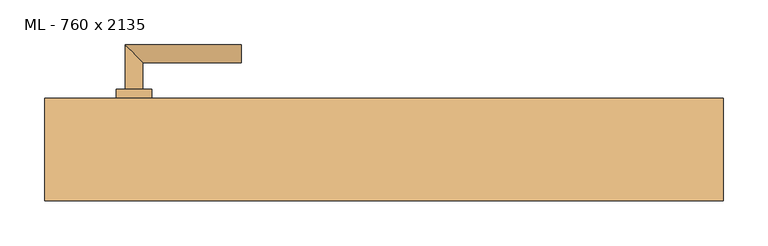
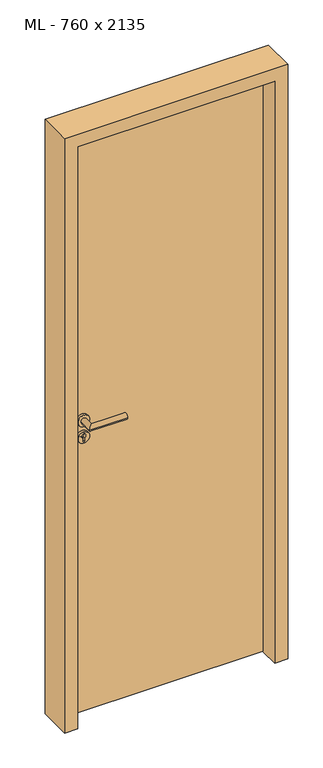
"""IFC4 building model written with IfcOpenShell, lengths in millimetres: door geometry, ML - 760 x 2135."""

from ifc_helpers import new_model, si_unit, point, frame, frame_2d, origin, origin_with_axes, place, context, project, spatial, polyline, circle_curve, ellipse_curve, trimmed, segment, composite_curve, outline, extrude, faceted_brep, source, transform, mapped, element, save
from ifc_brep_helpers import plane_surface, cylinder_surface, advanced_brep


def ml_760_x_2135_5a31ea03(model_context):
    return source(origin(), model_context, "Body", "SolidModel", [
        extrude(outline(polyline([(346.0, 57.5), (346.0, 12.5), (-346.0, 12.5), (-346.0, 57.5), (346.0, 57.5)])), origin_with_axes(), (0.0, 0.0, 1.0), 2101.0),
        advanced_brep(
        [(-270.0, 67.5, 1050.0), (-290.0, 67.5, 1050.0), (-270.0, 97.5, 1050.0), (-290.0, 117.5, 1050.0), (-160.0, 97.5, 1050.0), (-160.0, 117.5, 1050.0)],
        [
            (0, 1, circle_curve(frame((-280.0, 67.5, 1050.0), z_axis=(0.0, -1.0, 0.0), x_axis=(-1.0, 0.0, 0.0)), 10.0)),
            (1, 0, circle_curve(frame((-280.0, 67.5, 1050.0), z_axis=(0.0, -1.0, 0.0), x_axis=(-1.0, 0.0, 0.0)), 10.0)),
            (0, 2),
            (2, 3, ellipse_curve(frame((-280.0, 107.5, 1050.0), z_axis=(-0.7071067811865531, -0.7071067811865419, 0.0), x_axis=(0.707106781186542, -0.707106781186553, 0.0)), 14.1421356, 10.0)),
            (3, 1),
            (3, 2, ellipse_curve(frame((-280.0, 107.5, 1050.0), z_axis=(-0.7071067811865531, -0.7071067811865419, 0.0), x_axis=(0.707106781186542, -0.707106781186553, 0.0)), 14.1421356, 10.0)),
            (4, 5, circle_curve(frame((-160.0, 107.5, 1050.0), z_axis=(1.0, 0.0, 0.0), x_axis=(0.0, 1.0, 0.0)), 10.0)),
            (5, 4, circle_curve(frame((-160.0, 107.5, 1050.0), z_axis=(1.0, 0.0, 0.0), x_axis=(0.0, 1.0, 0.0)), 10.0)),
            (2, 4),
            (5, 3),
        ],
        [
            plane_surface(frame((-280.0, 67.5, 1050.0), z_axis=(0.0, -1.0, 0.0), x_axis=(0.0, 0.0, 1.0))),
            cylinder_surface(frame((-280.0, 67.5, 1050.0), z_axis=(0.0, -1.0, 0.0), x_axis=(-1.0, 0.0, 0.0)), 10.0),
            plane_surface(frame((-160.0, 107.5, 1050.0), z_axis=(1.0, 0.0, 0.0), x_axis=(0.0, 0.0, 1.0))),
            cylinder_surface(frame((-280.0, 107.5, 1050.0), z_axis=(-1.0, 0.0, 0.0), x_axis=(0.0, 1.0, 0.0)), 10.0),
        ],
        [
            (0, [[1, 2]]),
            (1, [[-1, 3, 4, 5]]),
            (1, [[-2, -5, 6, -3]]),
            (2, [[7, 8]]),
            (3, [[-4, 9, -8, 10]]),
            (3, [[-6, -10, -7, -9]]),
        ],
    ),
        extrude(outline(composite_curve([segment(trimmed(circle_curve(frame_2d((990.0, -280.0)), 20.0), [point((990.0, -300.0))], [point((990.0, -260.0))], False, "CARTESIAN"), True, "CONTINUOUS"), segment(trimmed(circle_curve(frame_2d((990.0, -280.0)), 20.0), [point((990.0, -260.0))], [point((990.0, -300.0))], False, "CARTESIAN"), True, "CONTINUOUS")], self_intersect=False), holes=[composite_curve([segment(polyline([(976.4601385, -282.397268), (988.4749012, -282.397268)]), True, "CONTINUOUS"), segment(trimmed(circle_curve(frame_2d((995.0361633, -280.0)), 6.9854888), [point((988.4749012, -282.397268))], [point((988.4749012, -277.602732))], True, "CARTESIAN"), True, "CONTINUOUS"), segment(polyline([(988.4749012, -277.602732), (976.4601385, -277.602732)]), True, "CONTINUOUS"), segment(trimmed(circle_curve(frame_2d((976.4601385, -280.0)), 2.397268), [point((976.4601385, -277.602732))], [point((976.4601385, -282.397268))], True, "CARTESIAN"), True, "CONTINUOUS")], self_intersect=False)]), frame((0.0, 57.5, 0.0), z_axis=(0.0, 1.0, 0.0), x_axis=(0.0, 0.0, 1.0)), (0.0, 0.0, 1.0), 10.0),
        advanced_brep(
        [(-270.0, 67.5, 1050.0), (-290.0, 67.5, 1050.0), (-270.0, 97.5, 1050.0), (-290.0, 117.5, 1050.0), (-160.0, 97.5, 1050.0), (-160.0, 117.5, 1050.0)],
        [
            (0, 1, circle_curve(frame((-280.0, 67.5, 1050.0), z_axis=(0.0, -1.0, 0.0), x_axis=(-1.0, 0.0, 0.0)), 10.0)),
            (1, 0, circle_curve(frame((-280.0, 67.5, 1050.0), z_axis=(0.0, -1.0, 0.0), x_axis=(-1.0, 0.0, 0.0)), 10.0)),
            (0, 2),
            (2, 3, ellipse_curve(frame((-280.0, 107.5, 1050.0), z_axis=(-0.7071067811865537, -0.7071067811865414, 0.0), x_axis=(0.7071067811865414, -0.7071067811865536, 0.0)), 14.1421356, 10.0)),
            (3, 1),
            (3, 2, ellipse_curve(frame((-280.0, 107.5, 1050.0), z_axis=(-0.7071067811865537, -0.7071067811865414, 0.0), x_axis=(0.7071067811865414, -0.7071067811865536, 0.0)), 14.1421356, 10.0)),
            (4, 5, circle_curve(frame((-160.0, 107.5, 1050.0), z_axis=(1.0, 0.0, 0.0), x_axis=(0.0, 1.0, 0.0)), 10.0)),
            (5, 4, circle_curve(frame((-160.0, 107.5, 1050.0), z_axis=(1.0, 0.0, 0.0), x_axis=(0.0, 1.0, 0.0)), 10.0)),
            (2, 4),
            (5, 3),
        ],
        [
            plane_surface(frame((-280.0, 67.5, 1050.0), z_axis=(0.0, -1.0, 0.0), x_axis=(0.0, 0.0, 1.0))),
            cylinder_surface(frame((-280.0, 67.5, 1050.0), z_axis=(0.0, -1.0, 0.0), x_axis=(-1.0, 0.0, 0.0)), 10.0),
            plane_surface(frame((-160.0, 107.5, 1050.0), z_axis=(1.0, 0.0, 0.0), x_axis=(0.0, 0.0, 1.0))),
            cylinder_surface(frame((-280.0, 107.5, 1050.0), z_axis=(-1.0, 0.0, 0.0), x_axis=(0.0, 1.0, 0.0)), 10.0),
        ],
        [
            (0, [[1, 2]]),
            (1, [[-1, 3, 4, 5]]),
            (1, [[-2, -5, 6, -3]]),
            (2, [[7, 8]]),
            (3, [[-4, 9, -8, 10]]),
            (3, [[-6, -10, -7, -9]]),
        ],
    ),
        extrude(outline(composite_curve([segment(trimmed(circle_curve(frame_2d((1050.0, -280.0)), 20.0), [point((1050.0, -300.0))], [point((1050.0, -260.0))], False, "CARTESIAN"), True, "CONTINUOUS"), segment(trimmed(circle_curve(frame_2d((1050.0, -280.0)), 20.0), [point((1050.0, -260.0))], [point((1050.0, -300.0))], False, "CARTESIAN"), True, "CONTINUOUS")], self_intersect=False)), frame((0.0, 57.5, 0.0), z_axis=(0.0, 1.0, 0.0), x_axis=(0.0, 0.0, 1.0)), (0.0, 0.0, 1.0), 10.0),
        advanced_brep(
        [(-270.0, 2.5, 1050.0), (-290.0, 2.5, 1050.0), (-290.0, -47.5, 1050.0), (-270.0, -27.5, 1050.0), (-160.0, -27.5, 1050.0), (-160.0, -47.5, 1050.0)],
        [
            (0, 1, circle_curve(frame((-280.0, 2.5, 1050.0), z_axis=(0.0, 1.0, 0.0), x_axis=(-1.0, 0.0, 0.0)), 10.0)),
            (1, 0, circle_curve(frame((-280.0, 2.5, 1050.0), z_axis=(0.0, 1.0, 0.0), x_axis=(-1.0, 0.0, 0.0)), 10.0)),
            (1, 2),
            (2, 3, ellipse_curve(frame((-280.0, -37.5, 1050.0), z_axis=(-0.7071067811865486, 0.7071067811865464, 0.0), x_axis=(0.7071067811865464, 0.7071067811865488, 0.0)), 14.1421356, 10.0)),
            (3, 0),
            (3, 2, ellipse_curve(frame((-280.0, -37.5, 1050.0), z_axis=(-0.7071067811865486, 0.7071067811865464, 0.0), x_axis=(0.7071067811865464, 0.7071067811865488, 0.0)), 14.1421356, 10.0)),
            (4, 5, circle_curve(frame((-160.0, -37.5, 1050.0), z_axis=(1.0, 0.0, 0.0), x_axis=(0.0, -1.0, 0.0)), 10.0)),
            (5, 4, circle_curve(frame((-160.0, -37.5, 1050.0), z_axis=(1.0, 0.0, 0.0), x_axis=(0.0, -1.0, 0.0)), 10.0)),
            (2, 5),
            (4, 3),
        ],
        [
            plane_surface(frame((-280.0, 2.5, 1050.0), z_axis=(0.0, 1.0, 0.0), x_axis=(0.0, 0.0, 1.0))),
            cylinder_surface(frame((-280.0, 2.5, 1050.0), z_axis=(0.0, 1.0, 0.0), x_axis=(-1.0, 0.0, 0.0)), 10.0),
            plane_surface(frame((-160.0, -37.5, 1050.0), z_axis=(1.0, 0.0, 0.0), x_axis=(0.0, 0.0, 1.0))),
            cylinder_surface(frame((-280.0, -37.5, 1050.0), z_axis=(-1.0, 0.0, 0.0), x_axis=(0.0, -1.0, 0.0)), 10.0),
        ],
        [
            (0, [[1, 2]]),
            (1, [[3, 4, 5, -2]]),
            (1, [[-5, 6, -3, -1]]),
            (2, [[7, 8]]),
            (3, [[9, -7, 10, -4]]),
            (3, [[-10, -8, -9, -6]]),
        ],
    ),
        extrude(outline(composite_curve([segment(trimmed(circle_curve(frame_2d((990.0, -280.0)), 20.0), [point((990.0, -300.0))], [point((990.0, -260.0))], False, "CARTESIAN"), True, "CONTINUOUS"), segment(trimmed(circle_curve(frame_2d((990.0, -280.0)), 20.0), [point((990.0, -260.0))], [point((990.0, -300.0))], False, "CARTESIAN"), True, "CONTINUOUS")], self_intersect=False), holes=[composite_curve([segment(polyline([(976.4601385, -282.397268), (988.4749012, -282.397268)]), True, "CONTINUOUS"), segment(trimmed(circle_curve(frame_2d((995.0361633, -280.0)), 6.9854888), [point((988.4749012, -282.397268))], [point((988.4749012, -277.602732))], True, "CARTESIAN"), True, "CONTINUOUS"), segment(polyline([(988.4749012, -277.602732), (976.4601385, -277.602732)]), True, "CONTINUOUS"), segment(trimmed(circle_curve(frame_2d((976.4601385, -280.0)), 2.397268), [point((976.4601385, -277.602732))], [point((976.4601385, -282.397268))], True, "CARTESIAN"), True, "CONTINUOUS")], self_intersect=False)]), frame((0.0, 2.5, 0.0), z_axis=(0.0, 1.0, 0.0), x_axis=(0.0, 0.0, 1.0)), (0.0, 0.0, 1.0), 10.0),
        advanced_brep(
        [(-270.0, 2.5, 1050.0), (-290.0, 2.5, 1050.0), (-290.0, -47.5, 1050.0), (-270.0, -27.5, 1050.0), (-160.0, -27.5, 1050.0), (-160.0, -47.5, 1050.0)],
        [
            (0, 1, circle_curve(frame((-280.0, 2.5, 1050.0), z_axis=(0.0, 1.0, 0.0), x_axis=(-1.0, 0.0, 0.0)), 10.0)),
            (1, 0, circle_curve(frame((-280.0, 2.5, 1050.0), z_axis=(0.0, 1.0, 0.0), x_axis=(-1.0, 0.0, 0.0)), 10.0)),
            (1, 2),
            (2, 3, ellipse_curve(frame((-280.0, -37.5, 1050.0), z_axis=(-0.7071067811865491, 0.7071067811865459, 0.0), x_axis=(0.7071067811865458, 0.7071067811865492, 0.0)), 14.1421356, 10.0)),
            (3, 0),
            (3, 2, ellipse_curve(frame((-280.0, -37.5, 1050.0), z_axis=(-0.7071067811865491, 0.7071067811865459, 0.0), x_axis=(0.7071067811865458, 0.7071067811865492, 0.0)), 14.1421356, 10.0)),
            (4, 5, circle_curve(frame((-160.0, -37.5, 1050.0), z_axis=(1.0, 0.0, 0.0), x_axis=(0.0, -1.0, 0.0)), 10.0)),
            (5, 4, circle_curve(frame((-160.0, -37.5, 1050.0), z_axis=(1.0, 0.0, 0.0), x_axis=(0.0, -1.0, 0.0)), 10.0)),
            (2, 5),
            (4, 3),
        ],
        [
            plane_surface(frame((-280.0, 2.5, 1050.0), z_axis=(0.0, 1.0, 0.0), x_axis=(0.0, 0.0, 1.0))),
            cylinder_surface(frame((-280.0, 2.5, 1050.0), z_axis=(0.0, 1.0, 0.0), x_axis=(-1.0, 0.0, 0.0)), 10.0),
            plane_surface(frame((-160.0, -37.5, 1050.0), z_axis=(1.0, 0.0, 0.0), x_axis=(0.0, 0.0, 1.0))),
            cylinder_surface(frame((-280.0, -37.5, 1050.0), z_axis=(-1.0, 0.0, 0.0), x_axis=(0.0, -1.0, 0.0)), 10.0),
        ],
        [
            (0, [[1, 2]]),
            (1, [[3, 4, 5, -2]]),
            (1, [[-5, 6, -3, -1]]),
            (2, [[7, 8]]),
            (3, [[9, -7, 10, -4]]),
            (3, [[-10, -8, -9, -6]]),
        ],
    ),
        extrude(outline(composite_curve([segment(trimmed(circle_curve(frame_2d((1050.0, -280.0)), 20.0), [point((1050.0, -300.0))], [point((1050.0, -260.0))], False, "CARTESIAN"), True, "CONTINUOUS"), segment(trimmed(circle_curve(frame_2d((1050.0, -280.0)), 20.0), [point((1050.0, -260.0))], [point((1050.0, -300.0))], False, "CARTESIAN"), True, "CONTINUOUS")], self_intersect=False)), frame((0.0, 2.5, 0.0), z_axis=(0.0, 1.0, 0.0), x_axis=(0.0, 0.0, 1.0)), (0.0, 0.0, 1.0), 10.0),
        faceted_brep([(-350.0, 57.5, 0.0), (-350.0, 12.5, 0.0), (-335.0, 12.5, 0.0), (-335.0, -57.5, 0.0), (-380.0, -57.5, 0.0), (-380.0, 57.5, 0.0), (-350.0, 57.5, 2105.0), (-350.0, 12.5, 2105.0), (350.0, 12.5, 2105.0), (350.0, 12.5, 0.0), (335.0, 12.5, 0.0), (335.0, 12.5, 2090.0), (-335.0, 12.5, 2090.0), (-335.0, -57.5, 2090.0), (335.0, -57.5, 2090.0), (335.0, -57.5, 0.0), (380.0, -57.5, 0.0), (380.0, -57.5, 2135.0), (-380.0, -57.5, 2135.0), (-380.0, 57.5, 2135.0), (380.0, 57.5, 2135.0), (380.0, 57.5, 0.0), (350.0, 57.5, 0.0), (350.0, 57.5, 2105.0)], [[[0, 1, 2, 3, 4, 5]], [[1, 0, 6, 7]], [[2, 1, 7, 8, 9, 10, 11, 12]], [[3, 2, 12, 13]], [[4, 3, 13, 14, 15, 16, 17, 18]], [[5, 4, 18, 19]], [[0, 5, 19, 20, 21, 22, 23, 6]], [[20, 17, 16, 21]], [[22, 21, 16, 15, 10, 9]], [[8, 23, 22, 9]], [[14, 11, 10, 15]], [[19, 18, 17, 20]], [[13, 12, 11, 14]], [[7, 6, 23, 8]]]),
    ])


if __name__ == "__main__":
    model = new_model("IFC4")
    model_context = context("Model", 3, world=origin())
    ifc_project = project(units=[si_unit("LENGTHUNIT", "METRE", prefix="MILLI")], contexts=[model_context])
    site = spatial("IfcSite", under=ifc_project)
    building = spatial("IfcBuilding", under=site)
    placement = place(None, origin())
    ml_760_x_2135_shape = ml_760_x_2135_5a31ea03(model_context)
    element("IfcDoor", 1, ObjectType="ML - 760 x 2135", at=placement, inside=building, context=model_context, shape_type="MappedRepresentation", body=[
        mapped(ml_760_x_2135_shape, transform((0.0, 0.0, 0.0), x_axis=(1.0, 0.0, 0.0), y_axis=(0.0, 1.0, 0.0), z_axis=(0.0, 0.0, 1.0))),
    ])
    save(model, "model.ifc")
